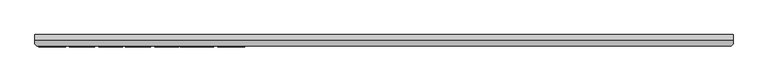
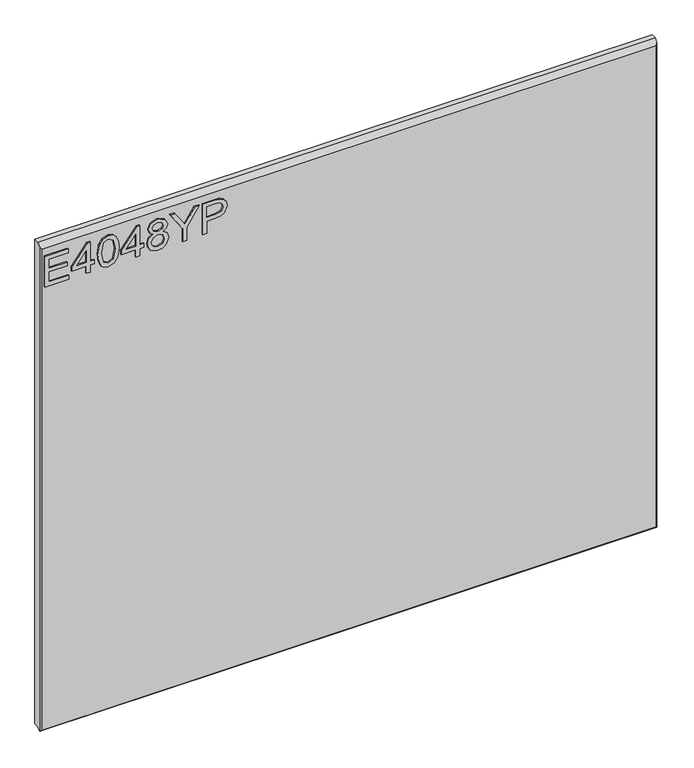
"""IFC4 building model written with IfcOpenShell, lengths in millimetres: furniture geometry."""

from ifc_helpers import new_model, si_unit, frame, origin, place, context, project, spatial, polyline, outline, extrude, faceted_brep, source, transform, mapped, element, save


def furniture_c21b191b(model_context):
    return source(origin(), model_context, "Body", "SolidModel", [
        extrude(outline(polyline([(2030.5117188, -279.0852904), (2030.5117188, -232.2396877), (2038.4854384, -232.2396877), (2038.4854384, -271.1115708), (2059.4164524, -271.1115708), (2059.4164524, -235.2298325), (2067.390172, -235.2298325), (2067.390172, -271.1115708), (2086.3277561, -271.1115708), (2086.3277561, -233.2364026), (2094.3014757, -233.2364026), (2094.3014757, -279.0852904), (2030.5117188, -279.0852904)])), frame((0.0, -21.9273438, 0.0), z_axis=(0.0, 1.0, 0.0), x_axis=(0.0, 0.0, 1.0)), (0.0, 0.0, 1.0), 2.38125),
        extrude(outline(polyline([(2030.5117188, -197.3546643), (2030.5117188, -189.3809447), (2045.462443, -189.3809447), (2045.462443, -181.4072251), (2053.4361627, -181.4072251), (2053.4361627, -189.3809447), (2093.3047607, -189.3809447), (2093.3047607, -195.3612344), (2053.4361627, -226.2593979), (2045.462443, -226.2593979), (2045.462443, -197.3546643), (2030.5117188, -197.3546643)]), holes=[polyline([(2053.4361627, -197.3546643), (2053.4361627, -216.4479851), (2078.0737104, -197.3546643), (2053.4361627, -197.3546643)])]), frame((0.0, -21.9273438, 0.0), z_axis=(0.0, 1.0, 0.0), x_axis=(0.0, 0.0, 1.0)), (0.0, 0.0, 1.0), 2.38125),
        extrude(outline(polyline([(2061.8926661, -174.4302204), (2046.3773962, -172.841706), (2035.5887355, -168.0761626), (2031.0334367, -161.7843995), (2029.5150038, -153.4992064), (2033.011293, -141.8267399), (2043.616963, -134.8886694), (2061.8926661, -132.5681924), (2076.8823245, -134.0165438), (2086.3199692, -137.7542249), (2092.2457511, -144.1861511), (2094.3014757, -153.4992064), (2090.828547, -165.1249519), (2080.2462375, -172.0863829), (2061.8926661, -174.4302204)]), holes=[polyline([(2061.9082397, -166.4565008), (2082.0605702, -162.5942304), (2086.3277561, -153.5926485), (2081.4843444, -144.1550038), (2061.9082397, -140.5419121), (2042.1218906, -144.2795931), (2037.4887234, -153.4992064), (2042.1063169, -162.7188197), (2061.9082397, -166.4565008)])]), frame((0.0, -21.9273438, 0.0), z_axis=(0.0, 1.0, 0.0), x_axis=(0.0, 0.0, 1.0)), (0.0, 0.0, 1.0), 2.38125),
        extrude(outline(polyline([(2030.5117188, -99.676599), (2030.5117188, -91.7028794), (2045.462443, -91.7028794), (2045.462443, -83.7291598), (2053.4361627, -83.7291598), (2053.4361627, -91.7028794), (2093.3047607, -91.7028794), (2093.3047607, -97.6831691), (2053.4361627, -128.5813326), (2045.462443, -128.5813326), (2045.462443, -99.676599), (2030.5117188, -99.676599)]), holes=[polyline([(2053.4361627, -99.676599), (2053.4361627, -118.7699198), (2078.0737104, -99.676599), (2053.4361627, -99.676599)])]), frame((0.0, -21.9273438, 0.0), z_axis=(0.0, 1.0, 0.0), x_axis=(0.0, 0.0, 1.0)), (0.0, 0.0, 1.0), 2.38125),
        extrude(outline(polyline([(2065.6459208, -65.1341964), (2059.8525152, -73.7308629), (2049.2935661, -76.7521551), (2041.5359312, -75.3115905), (2035.1760333, -70.9898968), (2030.9302612, -64.3165787), (2029.5150038, -55.8211411), (2030.924421, -47.3257035), (2035.1526727, -40.6523854), (2049.0755347, -34.8901271), (2059.3930919, -37.7946168), (2065.6459208, -46.2744807), (2070.5749877, -39.2118208), (2078.089284, -36.883557), (2089.5826533, -42.1163105), (2094.3014757, -55.9301568), (2089.691669, -69.6194137), (2078.3073154, -74.7587252), (2070.5983482, -72.399314), (2065.6459208, -65.1341964)]), holes=[polyline([(2049.5738922, -68.7784355), (2058.0303956, -65.4067357), (2061.4098823, -56.0235988), (2057.9836746, -46.3679227), (2049.3247135, -42.8638467), (2040.8292759, -46.258907), (2037.4887234, -55.7588464), (2039.0772379, -62.7358511), (2043.570242, -67.4468866), (2049.5738922, -68.7784355)]), polyline([(2078.0737104, -66.7850056), (2083.8982634, -63.9116633), (2086.3277561, -55.8211411), (2083.8437555, -47.7539795), (2077.7155159, -44.8572766), (2071.7975209, -47.6605374), (2069.3836019, -55.7276991), (2071.8130946, -63.9583843), (2078.0737104, -66.7850056)])]), frame((0.0, -21.9273438, 0.0), z_axis=(0.0, 1.0, 0.0), x_axis=(0.0, 0.0, 1.0)), (0.0, 0.0, 1.0), 2.38125),
        extrude(outline(polyline([(2030.5117188, -6.9821084), (2030.5117188, 0.9916112), (2057.5320382, 0.9916112), (2094.3014757, 25.909485), (2094.3014757, 16.5029876), (2075.3794653, 4.4333925), (2064.6492059, -2.3878755), (2074.6630764, -9.1935697), (2094.3014757, -22.4934849), (2094.3014757, -31.8999823), (2057.5320382, -6.9821084), (2030.5117188, -6.9821084)])), frame((0.0, -21.9273438, 0.0), z_axis=(0.0, 1.0, 0.0), x_axis=(0.0, 0.0, 1.0)), (0.0, 0.0, 1.0), 2.38125),
        extrude(outline(polyline([(2030.5117188, 32.8864896), (2030.5117188, 40.8602093), (2056.4263075, 40.8602093), (2056.4263075, 57.0724009), (2057.8357247, 68.4002999), (2062.0639765, 75.5972827), (2075.8466754, 80.7288074), (2084.5445707, 78.8288195), (2090.7117445, 73.8063105), (2093.6941025, 66.0584091), (2094.3014757, 56.5273224), (2094.3014757, 32.8864896), (2030.5117188, 32.8864896)]), holes=[polyline([(2064.4000271, 40.8602093), (2086.3277561, 40.8602093), (2086.3277561, 57.352727), (2085.7826776, 65.3264466), (2082.1695859, 70.70715), (2075.5663493, 72.7550877), (2067.3278773, 69.2821591), (2064.4000271, 57.539611), (2064.4000271, 40.8602093)])]), frame((0.0, -21.9273438, 0.0), z_axis=(0.0, 1.0, 0.0), x_axis=(0.0, 0.0, 1.0)), (0.0, 0.0, 1.0), 2.38125),
        faceted_brep([(933.1377049, 0.0, 2119.4117187), (-286.0622951, 0.0, 2119.4117187), (-286.0622951, -9.7234375, 2119.4117187), (933.1377049, -9.7234375, 2119.4117187), (-286.0622951, 0.0, 1108.2734375), (933.1377049, 0.0, 1108.2734375), (933.1377049, -10.0210916, 1108.2734375), (-286.0622951, -10.0210916, 1108.2734375), (-286.0622951, -15.9900937, 1102.3044354), (-286.0622951, -15.9900937, 2113.1450625), (929.9627049, -19.5460937, 2109.5890625), (-282.8872951, -19.5460937, 2109.5890625), (-282.8872951, -19.5460937, 1105.0984375), (929.9627068, -19.5460937, 1105.0984375), (933.1377049, -15.9900938, 2113.1450625), (933.1377049, -15.9900938, 1102.3044354), (932.7975282, -16.3710916, 1101.9234375), (-285.7221184, -16.3710916, 1101.9234375)], [[[0, 1, 2, 3]], [[4, 5, 6, 7]], [[1, 4, 7, 8, 9, 2]], [[10, 11, 12, 13]], [[5, 0, 3, 14, 15, 6]], [[1, 0, 5, 4]], [[3, 2, 9, 11, 10, 14]], [[7, 6, 15, 16, 17, 8]], [[17, 16, 13, 12]], [[9, 8, 17, 12, 11]], [[10, 13, 16, 15, 14]]]),
    ])


if __name__ == "__main__":
    model = new_model("IFC4")
    model_context = context("Model", 3, world=origin())
    ifc_project = project(units=[si_unit("LENGTHUNIT", "METRE", prefix="MILLI")], contexts=[model_context])
    site = spatial("IfcSite", under=ifc_project)
    building = spatial("IfcBuilding", under=site)
    placement = place(None, origin())
    furniture_shape = furniture_c21b191b(model_context)
    element("IfcFurniture", 1, at=placement, inside=building, context=model_context, shape_type="MappedRepresentation", body=[
        mapped(furniture_shape, transform((0.0, 0.0, 0.0), x_axis=(1.0, 0.0, 0.0), y_axis=(0.0, 1.0, 0.0), z_axis=(0.0, 0.0, 1.0))),
    ])
    save(model, "model.ifc")
